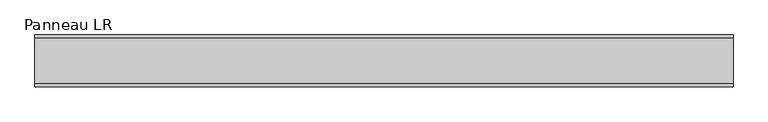
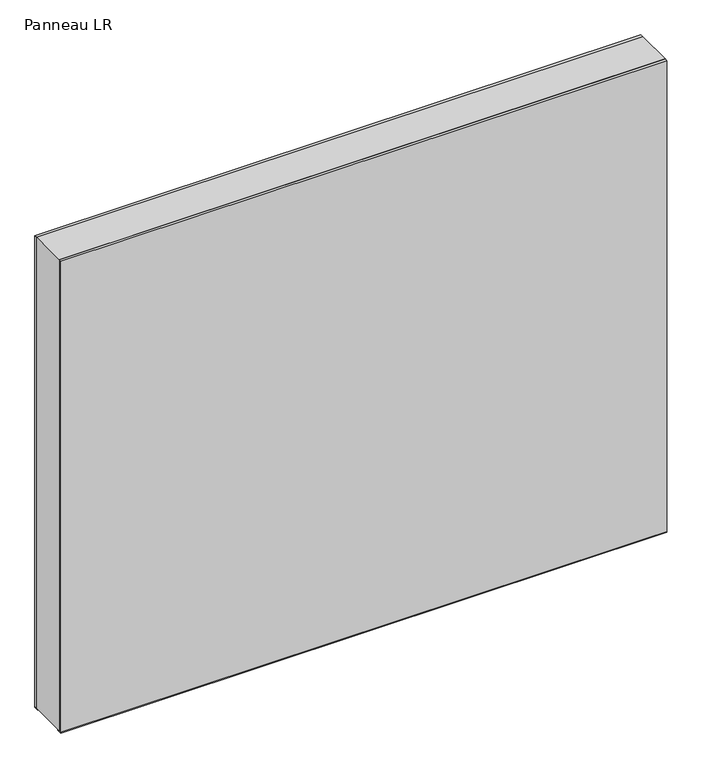
"""IFC4 building model written with IfcOpenShell, lengths in millimetres: plate geometry, Panneau LR."""

from ifc_helpers import new_model, si_unit, frame, origin, origin_with_axes, place, context, project, spatial, polyline, outline, extrude, source, transform, mapped, element, save


def panneau_lr_2ffe053d(model_context):
    return source(origin(), model_context, "Body", "SweptSolid", [
        extrude(outline(polyline([(997.0, 606.6875001), (997.0, -606.6875001), (0.0, -606.6875001), (0.0, 606.6875001), (997.0, 606.6875001)]), holes=[polyline([(60.0, -566.6875001), (937.0, -566.6875001), (937.0, 566.6875001), (60.0, 566.6875001), (60.0, -566.6875001)])]), frame((0.0, -39.0, 0.0), z_axis=(0.0, 1.0, 0.0), x_axis=(0.0, 0.0, 1.0)), (0.0, 0.0, 1.0), 78.0),
        extrude(outline(polyline([(-606.6875001, 35.0), (-606.6875001, 45.0), (606.6875001, 45.0), (606.6875001, 35.0), (-606.6875001, 35.0)])), frame((0.0, 0.0, -1.5), z_axis=(0.0, 0.0, 1.0), x_axis=(1.0, 0.0, 0.0)), (0.0, 0.0, 1.0), 1.5),
        extrude(outline(polyline([(-606.6875001, -45.0), (-606.6875001, -35.0), (606.6875001, -35.0), (606.6875001, -45.0), (-606.6875001, -45.0)])), frame((0.0, 0.0, -1.5), z_axis=(0.0, 0.0, 1.0), x_axis=(1.0, 0.0, 0.0)), (0.0, 0.0, 1.0), 1.5),
        extrude(outline(polyline([(606.6875001, 39.0), (-606.6875001, 39.0), (-606.6875001, 45.0), (606.6875001, 45.0), (606.6875001, 39.0)])), origin_with_axes(), (0.0, 0.0, 1.0), 997.0),
        extrude(outline(polyline([(-606.6875001, -45.0), (-606.6875001, -39.0), (606.6875001, -39.0), (606.6875001, -45.0), (-606.6875001, -45.0)])), origin_with_axes(), (0.0, 0.0, 1.0), 997.0),
    ])


if __name__ == "__main__":
    model = new_model("IFC4")
    model_context = context("Model", 3, world=origin())
    ifc_project = project(units=[si_unit("LENGTHUNIT", "METRE", prefix="MILLI")], contexts=[model_context])
    site = spatial("IfcSite", under=ifc_project)
    building = spatial("IfcBuilding", under=site)
    placement = place(None, origin())
    panneau_lr_shape = panneau_lr_2ffe053d(model_context)
    element("IfcPlate", 1, ObjectType="Panneau LR", at=placement, inside=building, context=model_context, shape_type="MappedRepresentation", body=[
        mapped(panneau_lr_shape, transform((0.0, 0.0, 0.0), x_axis=(1.0, 0.0, 0.0), y_axis=(0.0, 1.0, 0.0), z_axis=(0.0, 0.0, 1.0))),
    ])
    save(model, "model.ifc")
